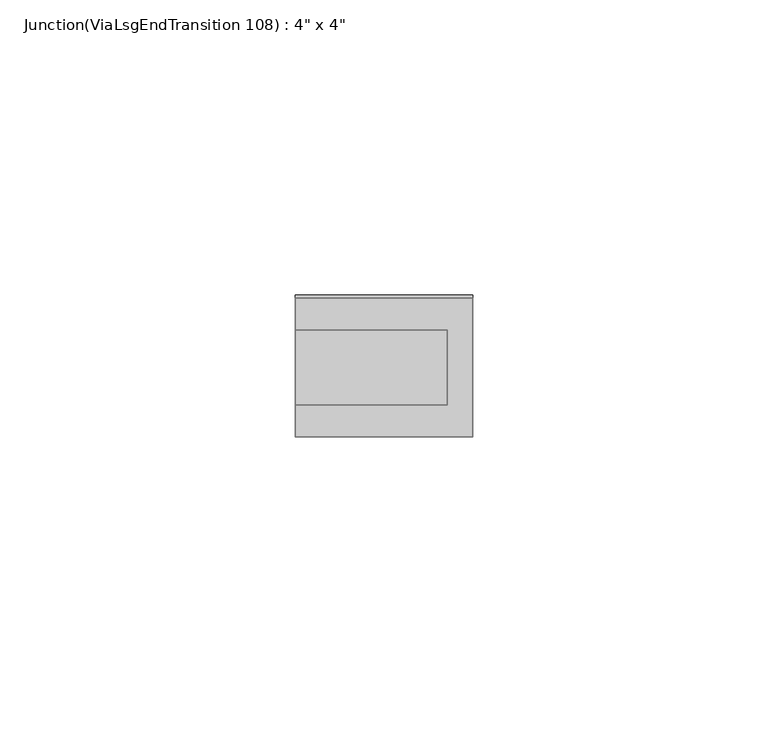
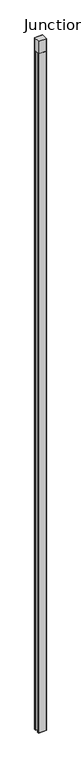
"""IFC4 building model written with IfcOpenShell, lengths in millimetres: furniture geometry."""

from ifc_helpers import new_model, si_unit, origin, place, context, project, spatial, triangles, source, transform, mapped, element, save


def furniture_b8d61457(model_context):
    return source(origin(), model_context, "Body", "Tessellation", [
        triangles([(-29.9973514, -26.352602, 2693.187355), (4.84e-05, -26.352602, 2693.187355), (-29.9973514, -26.352602, 0.0), (4.84e-05, -26.352602, 0.0), (-29.9973514, -31.750106, 2693.187355), (-29.9973514, -31.750106, 0.0), (-4.3179505, -31.7501014, 2693.187355), (-4.3179505, -31.7501014, 0.0), (-4.3179485, -44.4500984, 2693.187355), (-4.3179485, -44.4500984, 0.0), (-29.9973491, -44.4501029, 2693.187355), (-29.9973491, -44.4501029, 0.0), (-29.9973491, -49.8476023, 2693.187355), (-29.9973491, -49.8476023, 0.0), (5.03e-05, -49.8476023, 0.0), (5.03e-05, -49.8476023, 2693.187355), (-29.9973514, -26.352602, 2743.2), (4.84e-05, -26.352602, 2743.2), (-29.9973491, -49.8476023, 2743.2), (5.03e-05, -49.8476023, 2743.2)], [[1, 2, 3], [2, 4, 3], [5, 1, 6], [1, 3, 6], [7, 5, 8], [5, 6, 8], [9, 7, 10], [7, 8, 10], [11, 9, 12], [9, 10, 12], [13, 11, 14], [11, 12, 14], [8, 15, 10], [8, 4, 15], [8, 3, 4], [8, 6, 3], [12, 15, 14], [12, 10, 15], [16, 9, 11], [13, 16, 11], [1, 5, 7], [2, 1, 7], [16, 2, 7], [9, 16, 7], [16, 13, 15], [13, 14, 15], [2, 16, 4], [16, 15, 4], [2, 1, 17], [2, 17, 18], [1, 13, 19], [1, 19, 17], [1, 2, 16], [1, 16, 13], [19, 20, 18], [19, 18, 17], [13, 16, 20], [13, 20, 19], [16, 2, 18], [16, 18, 20]], closed=False),
    ])


if __name__ == "__main__":
    model = new_model("IFC4")
    model_context = context("Model", 3, world=origin())
    ifc_project = project(units=[si_unit("LENGTHUNIT", "METRE", prefix="MILLI")], contexts=[model_context])
    site = spatial("IfcSite", under=ifc_project)
    building = spatial("IfcBuilding", under=site)
    placement = place(None, origin())
    furniture_shape = furniture_b8d61457(model_context)
    element("IfcFurniture", 1, ObjectType="Junction(ViaLsgEndTransition 108) : 4\" x 4\"", at=placement, inside=building, context=model_context, shape_type="MappedRepresentation", body=[
        mapped(furniture_shape, transform((0.0, 0.0, 0.0), x_axis=(1.0, 0.0, 0.0), y_axis=(0.0, 1.0, 0.0), z_axis=(0.0, 0.0, 1.0))),
    ])
    save(model, "model.ifc")
